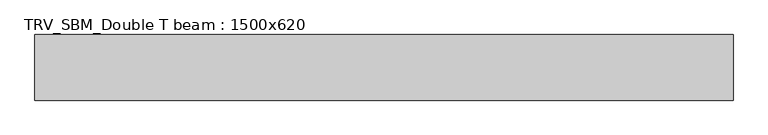
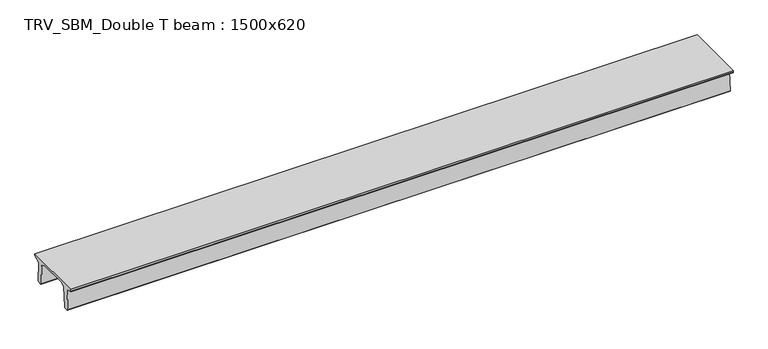
"""IFC4 building model written with IfcOpenShell, lengths in millimetres: beam geometry, TRV_SBM_Double T beam : 1500x620."""

from ifc_helpers import new_model, si_unit, frame, origin, place, context, project, spatial, polyline, outline, extrude, source, transform, mapped, element, save


def trv_sbm_double_t_beam_1500x620_a9a12d2a(model_context):
    return source(origin(), model_context, "Body", "SweptSolid", [
        extrude(outline(polyline([(-765.0, 215.0), (-765.0, 260.0), (735.0, 260.0), (735.0, 215.0), (728.2094488, 201.315559), (578.0626443, 140.6523122), (594.8277662, -339.4379646), (574.2657308, -360.0), (484.2657308, -360.0), (464.786332, -340.5206011), (447.8600761, 144.18395), (338.3237744, 210.0), (-367.4555014, 210.0), (-476.5389732, 151.9992892), (-507.0080378, -339.3850967), (-527.622941, -360.0), (-615.122941, -360.0), (-637.1143055, -338.0086356), (-606.1572167, 162.687806), (-761.3068466, 204.260024), (-765.0, 215.0)])), frame((-7973.5, 0.0, 0.0), z_axis=(1.0, 0.0, 0.0), x_axis=(0.0, 1.0, 0.0)), (0.0, 0.0, 1.0), 15947.0),
    ])


if __name__ == "__main__":
    model = new_model("IFC4")
    model_context = context("Model", 3, world=origin())
    ifc_project = project(units=[si_unit("LENGTHUNIT", "METRE", prefix="MILLI")], contexts=[model_context])
    site = spatial("IfcSite", under=ifc_project)
    building = spatial("IfcBuilding", under=site)
    placement = place(None, origin())
    trv_sbm_double_t_beam_1500x620_shape = trv_sbm_double_t_beam_1500x620_a9a12d2a(model_context)
    element("IfcBeam", 1, ObjectType="TRV_SBM_Double T beam : 1500x620", at=placement, inside=building, context=model_context, shape_type="MappedRepresentation", body=[
        mapped(trv_sbm_double_t_beam_1500x620_shape, transform((0.0, 0.0, 0.0), x_axis=(1.0, 0.0, 0.0), y_axis=(0.0, 1.0, 0.0), z_axis=(0.0, 0.0, 1.0))),
    ])
    save(model, "model.ifc")
